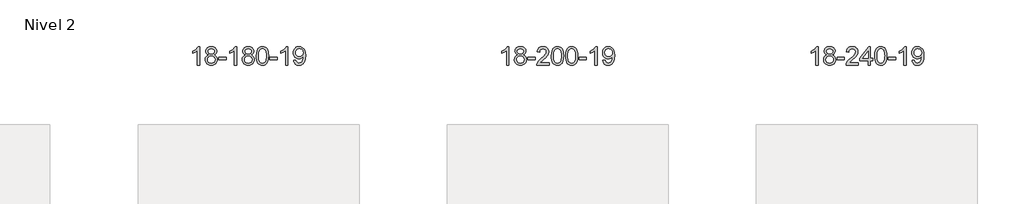
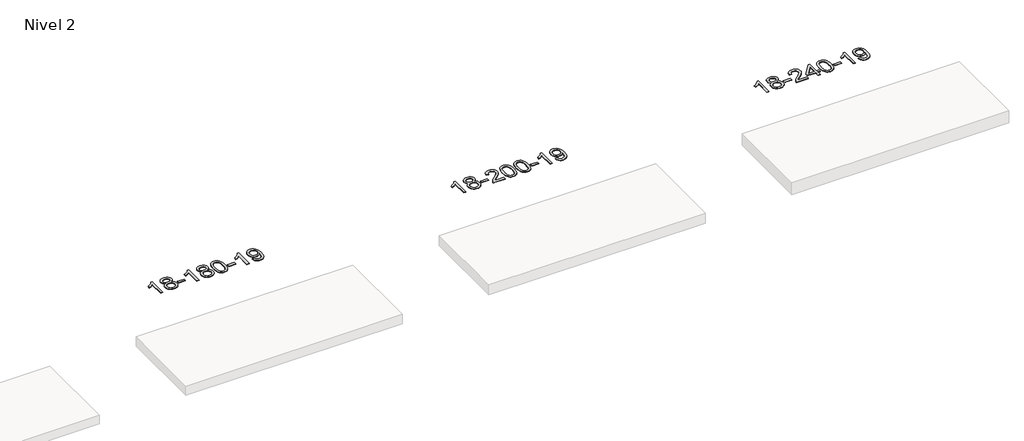
# One storey, part 47 of 51: 3 proxies.
"""IFC4 building model written with IfcOpenShell, lengths in millimetres."""

import ifcopenshell
import ifcopenshell.guid

model = None  # the IFC model being written
_history = None  # IfcOwnerHistory: only IFC2X3 demands one
_inside = {}  # id of a spatial element -> (the spatial element, [elements in it])
_under = {}  # id of a project, library or spatial element -> (it, [spatial elements below it])
_declared = {}  # id of a project -> (the project, [libraries it declares])
_typed = {}  # id of a type object -> (the type object, [elements of that type])
_made_of = {}  # id of a material, layer set ... -> (it, [elements and type objects made of it])


def new_model(schema):
    """Start an empty IFC model of exactly this schema.

    Asked for "IFC4X3", IfcOpenShell would pick the latest addendum, in which some entities
    have other attributes; the version numbers below select the first issue.
    IFC2X3 requires an IfcOwnerHistory on every rooted entity: one is made here for all.
    """
    global model, _history
    if schema == "IFC4X3":
        model = ifcopenshell.file(schema_version=(4, 3, 0, 0))
    else:
        model = ifcopenshell.file(schema=schema)
    _inside.clear()
    _under.clear()
    _declared.clear()
    _typed.clear()
    _made_of.clear()
    _history = None
    if model.schema == "IFC2X3":
        org = make("IfcOrganization", Name="unknown")
        user = make(
            "IfcPersonAndOrganization",
            ThePerson=make("IfcPerson", FamilyName="unknown"),
            TheOrganization=org,
        )
        app = make(
            "IfcApplication",
            ApplicationDeveloper=org,
            Version="unknown",
            ApplicationFullName="unknown",
            ApplicationIdentifier="unknown",
        )
        _history = make(
            "IfcOwnerHistory",
            OwningUser=user,
            OwningApplication=app,
            ChangeAction="ADDED",
            CreationDate=0,
        )
    return model


def make(cls, **values):
    """One entity of the class cls with the attributes given. An attribute that is None is left unset."""
    return model.create_entity(
        cls, **{name: value for name, value in values.items() if value is not None}
    )


def rooted(cls, **values):
    """An entity with a GlobalId (a new one), such as an element, a storey or a relation."""
    return make(cls, GlobalId=ifcopenshell.guid.new(), OwnerHistory=_history, **values)


def si_unit(unit_type, name, prefix=None):
    """IfcSIUnit, for example si_unit("LENGTHUNIT", "METRE", prefix="MILLI")."""
    return make("IfcSIUnit", UnitType=unit_type, Prefix=prefix, Name=name)


def assignment(units):
    """IfcUnitAssignment: the units of a project."""
    return None if units is None else make("IfcUnitAssignment", Units=units)


def point(xyz):
    """IfcCartesianPoint."""
    return None if xyz is None else make("IfcCartesianPoint", Coordinates=xyz)


def direction(xyz):
    """IfcDirection."""
    return None if xyz is None else make("IfcDirection", DirectionRatios=xyz)


def frame(location, z_axis=None, x_axis=None):
    """IfcAxis2Placement3D, a coordinate frame: its origin and axes. An axis left out is left unset."""
    return make(
        "IfcAxis2Placement3D",
        Location=point(location),
        Axis=direction(z_axis),
        RefDirection=direction(x_axis),
    )


def origin():
    """The frame at (0, 0, 0) with its axes left unset."""
    return frame((0.0, 0.0, 0.0))


def place(relative_to, where):
    """IfcLocalPlacement: puts the frame where relative to a parent placement (None: the world)."""
    return make(
        "IfcLocalPlacement", PlacementRelTo=relative_to, RelativePlacement=where
    )


def context(
    kind, dimensions, precision=None, world=None, true_north=None, identifier=None
):
    """IfcGeometricRepresentationContext, for example the 3D "Model" context."""
    return make(
        "IfcGeometricRepresentationContext",
        ContextIdentifier=identifier,
        ContextType=kind,
        CoordinateSpaceDimension=dimensions,
        Precision=precision,
        WorldCoordinateSystem=world,
        TrueNorth=true_north,
    )


def project(units=None, contexts=None):
    """IfcProject with its units and contexts."""
    return rooted(
        "IfcProject",
        Name="project",
        RepresentationContexts=contexts,
        UnitsInContext=assignment(units),
    )


def spatial(cls, under=None, at=None, **own):
    """A site, building, storey or space (cls), placed at a placement, below another one or the project."""
    s = rooted(cls, ObjectPlacement=at, **own)
    if under is not None:
        _under.setdefault(under.id(), (under, []))[1].append(s)
    return s


def polyline(points):
    """IfcPolyline through the points."""
    return make("IfcPolyline", Points=[point(p) for p in points])


def outline(outer, holes=None, kind="AREA"):
    """IfcArbitraryClosedProfileDef: a profile drawn as a closed curve; with holes, ...WithVoids."""
    if holes is None:
        return make("IfcArbitraryClosedProfileDef", ProfileType=kind, OuterCurve=outer)
    return make(
        "IfcArbitraryProfileDefWithVoids",
        ProfileType=kind,
        OuterCurve=outer,
        InnerCurves=holes,
    )


def extrude(swept, where, along, depth):
    """IfcExtrudedAreaSolid: the profile swept, set in the frame where, extruded along a direction by depth."""
    return make(
        "IfcExtrudedAreaSolid",
        SweptArea=swept,
        Position=where,
        ExtrudedDirection=direction(along),
        Depth=depth,
    )


def shape(context_of_items, identifier, shape_type, items):
    """IfcShapeRepresentation: the items that make up one representation, for example the "Body"."""
    return make(
        "IfcShapeRepresentation",
        ContextOfItems=context_of_items,
        RepresentationIdentifier=identifier,
        RepresentationType=shape_type,
        Items=items,
    )


def made_of(thing, what):
    """Note that an element or type object is made of a material, layer set ...; save() writes the relation."""
    if what is not None:
        _made_of.setdefault(what.id(), (what, []))[1].append(thing)
    return thing


def element(
    cls,
    number,
    at=None,
    inside=None,
    cuts=None,
    type_object=None,
    material=None,
    context=None,
    identifier="Body",
    shape_type=None,
    held_by="IfcProductDefinitionShape",
    body=None,
    shapes=None,
    **own,
):
    """One element of the class cls, such as IfcWall. Its Tag is "e" and its number.

    at: its placement. inside: the storey or other place that contains it. cuts: it is an
    opening in that element (IfcRelVoidsElement). A single representation is given by context,
    identifier, shape_type and body (its items); several are given by shapes. held_by: the class
    of the entity that holds the representations. save() writes the other relations.
    """
    e = rooted(cls, Tag="e%d" % number, ObjectPlacement=at, **own)
    if body is not None:
        shapes = [shape(context, identifier, shape_type, body)]
    if shapes is not None:
        e.Representation = make(held_by, Representations=shapes)
    if inside is not None:
        _inside.setdefault(inside.id(), (inside, []))[1].append(e)
    if cuts is not None:
        rooted(
            "IfcRelVoidsElement", RelatingBuildingElement=cuts, RelatedOpeningElement=e
        )
    if type_object is not None:
        _typed.setdefault(type_object.id(), (type_object, []))[1].append(e)
    return made_of(e, material)


def aggregate(whole, parts):
    """IfcRelAggregates: a whole, such as a stair, and the parts it consists of."""
    return rooted("IfcRelAggregates", RelatingObject=whole, RelatedObjects=parts)


def save(model, path):
    """Write the relations noted so far, then the file.

    IfcRelAggregates (storeys below a building ...), IfcRelContainedInSpatialStructure (elements
    in a storey), IfcRelDefinesByType, IfcRelAssociatesMaterial and IfcRelDeclares: one each for
    every whole, place, type object, material and project.
    """
    for whole, parts in _under.values():
        aggregate(whole, parts)
    for where, things in _inside.values():
        rooted(
            "IfcRelContainedInSpatialStructure",
            RelatedElements=things,
            RelatingStructure=where,
        )
    for kind, things in _typed.values():
        rooted("IfcRelDefinesByType", RelatedObjects=things, RelatingType=kind)
    for what, things in _made_of.values():
        rooted("IfcRelAssociatesMaterial", RelatedObjects=things, RelatingMaterial=what)
    for by, libraries in _declared.values():
        rooted("IfcRelDeclares", RelatingContext=by, RelatedDefinitions=libraries)
    model.write(path)


model = new_model("IFC4")

# Units and contexts
model_context = context("Model", 3, world=origin())
ifc_project = project(units=[si_unit("LENGTHUNIT", "METRE", prefix="MILLI")], contexts=[model_context])

# Site, building, storey
site = spatial("IfcSite", under=ifc_project)
building = spatial("IfcBuilding", under=site)
storey = spatial("IfcBuildingStorey", under=building, Name="Nivel 2", Elevation=3000.0)

# Proxies
placement = place(None, origin())
element("IfcBuildingElementProxy", 1, Name="Texto de modelo 1", ObjectType="Texto de modelo 1", at=placement, inside=storey, context=model_context, shape_type="SweptSolid", body=[
    extrude(outline(polyline([(44960.4349539, -16247.1632381), (44910.2067988, -16247.1632381), (44910.2067988, -15934.0220838), (44889.2375251, -15950.9814438), (44862.6273941, -15967.9162783), (44809.7504886, -15993.2756105), (44809.7504886, -15945.7943077), (44849.1997013, -15924.3345246), (44883.3759386, -15898.8035142), (44910.3171634, -15871.6538229), (44928.0613383, -15845.3379975), (44960.4349539, -15845.3379975), (44960.4349539, -16247.1632381)])), frame((0.0, 0.0, 3000.0), z_axis=(0.0, 0.0, 1.0), x_axis=(1.0, 0.0, 0.0)), (0.0, 0.0, 1.0), 10.0),
    extrude(outline(polyline([(45152.9108137, -16025.8454298), (45126.0186399, -16012.601678), (45107.1462935, -15994.6490366), (45095.9994691, -15972.3553877), (45092.2838609, -15946.0886133), (45094.3072119, -15925.6037175), (45100.3772648, -15906.8233417), (45110.4940197, -15889.7474857), (45124.6574765, -15874.3761497), (45142.1870536, -15861.6719581), (45162.4021692, -15852.5975356), (45185.3028234, -15847.152882), (45210.8890162, -15845.3379975), (45236.5978363, -15847.1958016), (45259.6701687, -15852.7692138), (45280.1060136, -15862.0582342), (45297.9053708, -15875.0628627), (45312.326345, -15890.7346357), (45322.6270408, -15908.0250895), (45328.8074584, -15926.9342241), (45330.8675975, -15947.4620394), (45327.2010403, -15972.8826853), (45316.2013687, -15994.7961894), (45297.7459552, -16012.6384662), (45271.7121727, -16025.8454298), (45302.626523, -16041.7747202), (45325.1286384, -16065.2333288), (45338.8506368, -16095.0930841), (45343.4246363, -16130.2258146), (45341.1560307, -16155.2785785), (45334.3502138, -16178.2466777), (45323.0071856, -16199.1301123), (45307.1269461, -16217.9288823), (45287.5433612, -16233.4657652), (45265.0902968, -16244.5635387), (45239.7677528, -16251.2222028), (45211.5757292, -16253.4417575), (45183.3837057, -16251.2130058), (45158.0611617, -16244.5267505), (45135.6080972, -16233.3829917), (45116.0245124, -16217.7817295), (45100.1442729, -16198.8511351), (45088.8012447, -16177.7193802), (45081.9954278, -16154.3864646), (45079.7268222, -16128.8523885), (45084.4847626, -16092.3584946), (45098.758584, -16062.3393238), (45121.8125224, -16039.8249457), (45152.9108137, -16025.8454298)]), holes=[polyline([(45142.512016, -15947.5601413), (45146.9633881, -15969.4859082), (45160.3175046, -15986.9970911), (45182.1819578, -15998.4750094), (45212.1643404, -16002.3009821), (45241.4477472, -15998.4995349), (45262.9811067, -15987.095193), (45276.2248585, -15970.1726212), (45280.6394425, -15949.8164842), (45276.0777057, -15928.6877949), (45262.3924955, -15911.2134001), (45240.5648305, -15899.4779645), (45211.5757292, -15895.5661526), (45182.402687, -15899.3921254), (45160.6118102, -15910.8700436), (45147.0369645, -15927.6945135), (45142.512016, -15947.5601413)]), polyline([(45129.9549772, -16127.0865549), (45132.0519046, -16146.3022578), (45138.3426867, -16164.904824), (45149.955495, -16181.12842), (45168.018501, -16193.2072122), (45189.6499623, -16200.7120049), (45211.9681367, -16203.2136024), (45246.1566368, -16197.9528899), (45260.0503135, -16191.3769993), (45271.8102746, -16182.1707523), (45287.8499296, -16158.2706854), (45293.1964812, -16128.6561848), (45287.6782513, -16098.5389121), (45271.1235615, -16074.1115476), (45259.0447693, -16064.6692431), (45244.8813125, -16057.9247398), (45210.300405, -16052.5291372), (45176.5901515, -16057.8511634), (45162.8528247, -16064.5036962), (45151.1940311, -16073.817242), (45135.2647407, -16097.7786226), (45129.9549772, -16127.0865549)])]), frame((0.0, 0.0, 3000.0), z_axis=(0.0, 0.0, 1.0), x_axis=(1.0, 0.0, 0.0)), (0.0, 0.0, 1.0), 10.0),
    extrude(outline(polyline([(45374.8172332, -16127.8713698), (45374.8172332, -16077.6432148), (45531.7802178, -16077.6432148), (45531.7802178, -16127.8713698), (45374.8172332, -16127.8713698)])), frame((0.0, 0.0, 3000.0), z_axis=(0.0, 0.0, 1.0), x_axis=(1.0, 0.0, 0.0)), (0.0, 0.0, 1.0), 10.0),
    extrude(outline(polyline([(45764.0854351, -16247.1632381), (45713.85728, -16247.1632381), (45713.85728, -15934.0220838), (45692.8880063, -15950.9814438), (45666.2778753, -15967.9162783), (45613.4009698, -15993.2756105), (45613.4009698, -15945.7943077), (45652.8501824, -15924.3345246), (45687.0264198, -15898.8035142), (45713.9676446, -15871.6538229), (45731.7118195, -15845.3379975), (45764.0854351, -15845.3379975), (45764.0854351, -16247.1632381)])), frame((0.0, 0.0, 3000.0), z_axis=(0.0, 0.0, 1.0), x_axis=(1.0, 0.0, 0.0)), (0.0, 0.0, 1.0), 10.0),
    extrude(outline(polyline([(45956.5612949, -16025.8454298), (45929.6691211, -16012.601678), (45910.7967747, -15994.6490366), (45899.6499503, -15972.3553877), (45895.9343421, -15946.0886133), (45897.9576931, -15925.6037175), (45904.027746, -15906.8233417), (45914.1445009, -15889.7474857), (45928.3079577, -15874.3761497), (45945.8375348, -15861.6719581), (45966.0526504, -15852.5975356), (45988.9533046, -15847.152882), (46014.5394974, -15845.3379975), (46040.2483175, -15847.1958016), (46063.3206499, -15852.7692138), (46083.7564948, -15862.0582342), (46101.555852, -15875.0628627), (46115.9768262, -15890.7346357), (46126.277522, -15908.0250895), (46132.4579396, -15926.9342241), (46134.5180787, -15947.4620394), (46130.8515215, -15972.8826853), (46119.8518499, -15994.7961894), (46101.3964364, -16012.6384662), (46075.3626539, -16025.8454298), (46106.2770042, -16041.7747202), (46128.7791196, -16065.2333288), (46142.501118, -16095.0930841), (46147.0751175, -16130.2258146), (46144.8065119, -16155.2785785), (46138.000695, -16178.2466777), (46126.6576668, -16199.1301123), (46110.7774273, -16217.9288823), (46091.1938424, -16233.4657652), (46068.740778, -16244.5635387), (46043.418234, -16251.2222028), (46015.2262104, -16253.4417575), (45987.0341869, -16251.2130058), (45961.7116429, -16244.5267505), (45939.2585784, -16233.3829917), (45919.6749936, -16217.7817295), (45903.7947541, -16198.8511351), (45892.4517259, -16177.7193802), (45885.645909, -16154.3864646), (45883.3773034, -16128.8523885), (45888.1352438, -16092.3584946), (45902.4090652, -16062.3393238), (45925.4630036, -16039.8249457), (45956.5612949, -16025.8454298)]), holes=[polyline([(45946.1624972, -15947.5601413), (45950.6138693, -15969.4859082), (45963.9679858, -15986.9970911), (45985.832439, -15998.4750094), (46015.8148216, -16002.3009821), (46045.0982284, -15998.4995349), (46066.6315879, -15987.095193), (46079.8753397, -15970.1726212), (46084.2899237, -15949.8164842), (46079.7281869, -15928.6877949), (46066.0429767, -15911.2134001), (46044.2153117, -15899.4779645), (46015.2262104, -15895.5661526), (45986.0531682, -15899.3921254), (45964.2622914, -15910.8700436), (45950.6874457, -15927.6945135), (45946.1624972, -15947.5601413)]), polyline([(45933.6054584, -16127.0865549), (45935.7023858, -16146.3022578), (45941.9931679, -16164.904824), (45953.6059762, -16181.12842), (45971.6689822, -16193.2072122), (45993.3004435, -16200.7120049), (46015.6186179, -16203.2136024), (46049.807118, -16197.9528899), (46063.7007947, -16191.3769993), (46075.4607558, -16182.1707523), (46091.5004108, -16158.2706854), (46096.8469624, -16128.6561848), (46091.3287325, -16098.5389121), (46074.7740427, -16074.1115476), (46062.6952505, -16064.6692431), (46048.5317937, -16057.9247398), (46013.9508862, -16052.5291372), (45980.2406327, -16057.8511634), (45966.5033059, -16064.5036962), (45954.8445123, -16073.817242), (45938.9152219, -16097.7786226), (45933.6054584, -16127.0865549)])]), frame((0.0, 0.0, 3000.0), z_axis=(0.0, 0.0, 1.0), x_axis=(1.0, 0.0, 0.0)), (0.0, 0.0, 1.0), 10.0),
    extrude(outline(polyline([(46191.0247532, -16049.4879794), (46194.7158359, -15985.1699439), (46205.7890839, -15933.874931), (46224.1341328, -15894.8181259), (46235.9921957, -15879.5847456), (46249.6406178, -15867.2147135), (46265.1253841, -15857.6436503), (46282.4924799, -15850.8071765), (46322.8736603, -15845.3379975), (46353.8247988, -15848.5753591), (46381.5385758, -15858.2874438), (46404.7151415, -15874.0941068), (46422.0546462, -15895.6152035), (46435.1512452, -15922.6667929), (46445.5990939, -15955.064934), (46452.441699, -15996.2064038), (46454.7225673, -16049.4879794), (46451.0682729, -16113.4381329), (46440.1053894, -16164.6105184), (46421.8707052, -16203.7041118), (46410.0402333, -16218.9834773), (46396.4010084, -16231.4178887), (46380.897848, -16241.0533313), (46363.4755698, -16247.9357903), (46322.8736603, -16253.4417575), (46295.2089342, -16251.0505246), (46270.6834679, -16243.8768256), (46249.2972612, -16231.9206608), (46231.0503143, -16215.18203), (46213.5391313, -16184.9237359), (46201.0311435, -16147.2219628), (46193.5263508, -16102.0767106), (46191.0247532, -16049.4879794)]), holes=[polyline([(46241.2529083, -16049.3898775), (46242.7244362, -16093.0544047), (46247.1390202, -16128.3986674), (46254.4966601, -16155.4226656), (46264.797356, -16174.1263994), (46277.2562929, -16186.8520507), (46291.0886559, -16195.9418017), (46306.294445, -16201.3956523), (46322.8736603, -16203.2136024), (46339.4528755, -16201.3895209), (46354.6586646, -16195.9172762), (46368.4910277, -16186.7968684), (46380.9499646, -16174.0282975), (46391.2506604, -16155.2939069), (46398.6083003, -16128.27604), (46403.0228843, -16092.9746969), (46404.4944123, -16049.3898775), (46403.0719352, -16006.881113), (46398.8045041, -15972.159184), (46391.6921188, -15945.2240906), (46381.7347795, -15926.0758327), (46369.4843091, -15912.7278477), (46355.4925305, -15903.1935726), (46339.7594438, -15897.4730076), (46322.2850491, -15895.5661526), (46305.791673, -15897.2461471), (46290.8434012, -15902.2861304), (46277.4402339, -15910.6861026), (46265.5821709, -15922.4460637), (46254.9381185, -15943.2927101), (46247.3352239, -15971.3988946), (46242.7734872, -16006.764617), (46241.2529083, -16049.3898775)])]), frame((0.0, 0.0, 3000.0), z_axis=(0.0, 0.0, 1.0), x_axis=(1.0, 0.0, 0.0)), (0.0, 0.0, 1.0), 10.0),
    extrude(outline(polyline([(46486.1151643, -16127.8713698), (46486.1151643, -16077.6432148), (46643.0781489, -16077.6432148), (46643.0781489, -16127.8713698), (46486.1151643, -16127.8713698)])), frame((0.0, 0.0, 3000.0), z_axis=(0.0, 0.0, 1.0), x_axis=(1.0, 0.0, 0.0)), (0.0, 0.0, 1.0), 10.0),
    extrude(outline(polyline([(46875.3833661, -16247.1632381), (46825.155211, -16247.1632381), (46825.155211, -15934.0220838), (46804.1859373, -15950.9814438), (46777.5758063, -15967.9162783), (46724.6989009, -15993.2756105), (46724.6989009, -15945.7943077), (46764.1481135, -15924.3345246), (46798.3243508, -15898.8035142), (46825.2655756, -15871.6538229), (46843.0097505, -15845.3379975), (46875.3833661, -15845.3379975), (46875.3833661, -16247.1632381)])), frame((0.0, 0.0, 3000.0), z_axis=(0.0, 0.0, 1.0), x_axis=(1.0, 0.0, 0.0)), (0.0, 0.0, 1.0), 10.0),
    extrude(outline(polyline([(47000.9537538, -16146.706928), (47051.1819088, -16140.4284086), (47059.7658221, -16168.9392632), (47073.7453379, -16188.3511698), (47092.7770998, -16199.4979943), (47116.5177512, -16203.2136024), (47137.8181187, -16200.8223695), (47157.1809744, -16193.6486706), (47173.2696803, -16182.4773207), (47184.7475986, -16168.0931346), (47201.179661, -16124.4378045), (47206.6243145, -16096.0373145), (47208.4391991, -16066.1652965), (47208.1448935, -16056.35511), (47190.7440751, -16077.5941638), (47167.9721796, -16094.4186337), (47141.4724132, -16105.3815172), (47112.8879822, -16109.0358117), (47089.0277691, -16106.8039942), (47067.0866738, -16100.1085419), (47047.0646962, -16088.9494547), (47028.9618363, -16073.3267327), (47013.961448, -16054.0558475), (47003.2468849, -16031.952271), (46996.818147, -16007.0160031), (46994.6752344, -15979.2470438), (46996.9223802, -15950.5522482), (47003.6638178, -15924.8005085), (47014.8995471, -15901.9918248), (47030.6295681, -15882.1261971), (47049.7441034, -15866.0313598), (47071.1333757, -15854.5350474), (47094.7973851, -15847.63726), (47120.7361314, -15845.3379975), (47158.1987812, -15850.5864473), (47192.3014422, -15866.3317967), (47220.8245596, -15891.7892308), (47241.5485786, -15926.1739346), (47254.1669311, -15973.7042884), (47258.3730485, -16038.5986723), (47254.1791938, -16107.4048682), (47241.5976296, -16160.5883419), (47220.7387204, -16200.5525893), (47207.2466483, -16216.4788141), (47191.712831, -16229.7011061), (47174.4499684, -16240.0876411), (47155.7707601, -16247.5065947), (47114.1633064, -16253.4417575), (47091.6060088, -16251.6912524), (47071.2192149, -16246.4397369), (47053.0029247, -16237.6872111), (47036.9571384, -16225.433675), (47023.486526, -16210.0102223), (47012.9957577, -16191.7479469), (47005.4848337, -16170.6468488), (47000.9537538, -16146.706928)]), holes=[polyline([(47208.1448935, -15978.0698214), (47202.7247654, -15944.0284741), (47195.9496053, -15929.9508564), (47186.4643812, -15917.8352761), (47174.7350769, -15908.0925345), (47161.2276763, -15901.1334335), (47128.8785862, -15895.5661526), (47111.2693014, -15897.0652717), (47095.3277483, -15901.5626291), (47081.0539269, -15909.0582248), (47068.4478372, -15919.5520587), (47058.1471413, -15932.4309942), (47050.7895014, -15947.0818947), (47046.3749174, -15963.5047601), (47044.9033895, -15981.6995904), (47050.4706703, -16012.7365681), (47057.4297714, -16025.8546269), (47067.1725129, -16037.372399), (47079.2942246, -16046.7503242), (47093.3902364, -16053.4488422), (47127.5051601, -16058.8076566), (47159.5967328, -16053.4488422), (47185.4343116, -16037.372399), (47195.3701912, -16025.6277663), (47202.467248, -16011.8291258), (47208.1448935, -15978.0698214)])]), frame((0.0, 0.0, 3000.0), z_axis=(0.0, 0.0, 1.0), x_axis=(1.0, 0.0, 0.0)), (0.0, 0.0, 1.0), 10.0),
])
element("IfcBuildingElementProxy", 2, Name="Texto de modelo 1", ObjectType="Texto de modelo 1", at=placement, inside=storey, context=model_context, shape_type="SweptSolid", body=[
    extrude(outline(polyline([(51675.3754887, -16247.1632381), (51625.1473336, -16247.1632381), (51625.1473336, -15934.0220838), (51604.1780599, -15950.9814438), (51577.5679289, -15967.9162783), (51524.6910235, -15993.2756105), (51524.6910235, -15945.7943077), (51564.1402361, -15924.3345246), (51598.3164734, -15898.8035142), (51625.2576982, -15871.6538229), (51643.0018731, -15845.3379975), (51675.3754887, -15845.3379975), (51675.3754887, -16247.1632381)])), frame((0.0, 0.0, 3000.0), z_axis=(0.0, 0.0, 1.0), x_axis=(1.0, 0.0, 0.0)), (0.0, 0.0, 1.0), 10.0),
    extrude(outline(polyline([(51867.8513486, -16025.8454298), (51840.9591747, -16012.601678), (51822.0868284, -15994.6490366), (51810.9400039, -15972.3553877), (51807.2243958, -15946.0886133), (51809.2477467, -15925.6037175), (51815.3177996, -15906.8233417), (51825.4345545, -15889.7474857), (51839.5980113, -15874.3761497), (51857.1275884, -15861.6719581), (51877.342704, -15852.5975356), (51900.2433582, -15847.152882), (51925.829551, -15845.3379975), (51951.5383711, -15847.1958016), (51974.6107036, -15852.7692138), (51995.0465484, -15862.0582342), (52012.8459056, -15875.0628627), (52027.2668798, -15890.7346357), (52037.5675757, -15908.0250895), (52043.7479932, -15926.9342241), (52045.8081324, -15947.4620394), (52042.1415751, -15972.8826853), (52031.1419035, -15994.7961894), (52012.6864901, -16012.6384662), (51986.6527075, -16025.8454298), (52017.5670579, -16041.7747202), (52040.0691732, -16065.2333288), (52053.7911717, -16095.0930841), (52058.3651711, -16130.2258146), (52056.0965655, -16155.2785785), (52049.2907486, -16178.2466777), (52037.9477204, -16199.1301123), (52022.0674809, -16217.9288823), (52002.4838961, -16233.4657652), (51980.0308316, -16244.5635387), (51954.7082876, -16251.2222028), (51926.5162641, -16253.4417575), (51898.3242405, -16251.2130058), (51873.0016965, -16244.5267505), (51850.5486321, -16233.3829917), (51830.9650472, -16217.7817295), (51815.0848077, -16198.8511351), (51803.7417795, -16177.7193802), (51796.9359626, -16154.3864646), (51794.667357, -16128.8523885), (51799.4252975, -16092.3584946), (51813.6991189, -16062.3393238), (51836.7530572, -16039.8249457), (51867.8513486, -16025.8454298)]), holes=[polyline([(51857.4525508, -15947.5601413), (51861.903923, -15969.4859082), (51875.2580394, -15986.9970911), (51897.1224926, -15998.4750094), (51927.1048753, -16002.3009821), (51956.3882821, -15998.4995349), (51977.9216415, -15987.095193), (51991.1653933, -15970.1726212), (51995.5799773, -15949.8164842), (51991.0182405, -15928.6877949), (51977.3330303, -15911.2134001), (51955.5053653, -15899.4779645), (51926.5162641, -15895.5661526), (51897.3432218, -15899.3921254), (51875.552345, -15910.8700436), (51861.9774994, -15927.6945135), (51857.4525508, -15947.5601413)]), polyline([(51844.8955121, -16127.0865549), (51846.9924394, -16146.3022578), (51853.2832216, -16164.904824), (51864.8960299, -16181.12842), (51882.9590358, -16193.2072122), (51904.5904971, -16200.7120049), (51926.9086715, -16203.2136024), (51961.0971716, -16197.9528899), (51974.9908483, -16191.3769993), (51986.7508094, -16182.1707523), (52002.7904644, -16158.2706854), (52008.1370161, -16128.6561848), (52002.6187861, -16098.5389121), (51986.0640963, -16074.1115476), (51973.9853042, -16064.6692431), (51959.8218474, -16057.9247398), (51925.2409398, -16052.5291372), (51891.5306863, -16057.8511634), (51877.7933595, -16064.5036962), (51866.1345659, -16073.817242), (51850.2052755, -16097.7786226), (51844.8955121, -16127.0865549)])]), frame((0.0, 0.0, 3000.0), z_axis=(0.0, 0.0, 1.0), x_axis=(1.0, 0.0, 0.0)), (0.0, 0.0, 1.0), 10.0),
    extrude(outline(polyline([(52089.7577681, -16127.8713698), (52089.7577681, -16077.6432148), (52246.7207527, -16077.6432148), (52246.7207527, -16127.8713698), (52089.7577681, -16127.8713698)])), frame((0.0, 0.0, 3000.0), z_axis=(0.0, 0.0, 1.0), x_axis=(1.0, 0.0, 0.0)), (0.0, 0.0, 1.0), 10.0),
    extrude(outline(polyline([(52548.0896831, -16196.9350831), (52548.0896831, -16247.1632381), (52284.391869, -16247.1632381), (52285.495515, -16229.4803769), (52289.7874716, -16212.5332797), (52302.1728321, -16185.4694275), (52320.2971517, -16159.2149158), (52346.5148752, -16131.7341308), (52383.1804474, -16100.9914587), (52437.381728, -16052.8479683), (52469.9024964, -16017.3105676), (52486.1628806, -15988.4686191), (52491.5830087, -15960.4114856), (52486.4694489, -15935.2606199), (52471.1287697, -15914.3526598), (52447.5475338, -15900.2627794), (52417.712304, -15895.5661526), (52386.3810208, -15900.1524148), (52362.0394954, -15913.9112014), (52346.3309342, -15935.763392), (52340.8985434, -15964.6298658), (52290.6703884, -15958.3513465), (52294.9899361, -15932.4217972), (52302.8472824, -15909.7663976), (52314.2424272, -15890.3851478), (52329.1753705, -15874.2780478), (52347.3027558, -15861.6167758), (52368.2812266, -15852.5730101), (52392.1107828, -15847.1467507), (52418.7914245, -15845.3379975), (52445.7111895, -15847.3490858), (52469.6695045, -15853.3823505), (52490.6663693, -15863.4377917), (52508.7017842, -15877.5154094), (52523.1871377, -15894.5728712), (52533.5338188, -15913.5678449), (52539.7418275, -15934.5003304), (52541.8111637, -15957.3703278), (52539.5793463, -15981.3930221), (52532.883894, -16004.9987834), (52521.0013055, -16029.009215), (52503.2080797, -16054.2459199), (52474.8443779, -16084.3754553), (52431.2503614, -16123.0643784), (52373.4683627, -16171.3795471), (52350.8068318, -16196.9350831), (52548.0896831, -16196.9350831)])), frame((0.0, 0.0, 3000.0), z_axis=(0.0, 0.0, 1.0), x_axis=(1.0, 0.0, 0.0)), (0.0, 0.0, 1.0), 10.0),
    extrude(outline(polyline([(52598.3178382, -16049.4879794), (52602.0089209, -15985.1699439), (52613.0821689, -15933.874931), (52631.4272177, -15894.8181259), (52643.2852807, -15879.5847456), (52656.9337027, -15867.2147135), (52672.4184691, -15857.6436503), (52689.7855649, -15850.8071765), (52730.1667453, -15845.3379975), (52761.1178838, -15848.5753591), (52788.8316608, -15858.2874438), (52812.0082264, -15874.0941068), (52829.3477312, -15895.6152035), (52842.4443302, -15922.6667929), (52852.8921788, -15955.064934), (52859.734784, -15996.2064038), (52862.0156523, -16049.4879794), (52858.3613578, -16113.4381329), (52847.3984744, -16164.6105184), (52829.1637902, -16203.7041118), (52817.3333183, -16218.9834773), (52803.6940934, -16231.4178887), (52788.1909329, -16241.0533313), (52770.7686548, -16247.9357903), (52730.1667453, -16253.4417575), (52702.5020192, -16251.0505246), (52677.9765529, -16243.8768256), (52656.5903462, -16231.9206608), (52638.3433993, -16215.18203), (52620.8322163, -16184.9237359), (52608.3242285, -16147.2219628), (52600.8194358, -16102.0767106), (52598.3178382, -16049.4879794)]), holes=[polyline([(52648.5459933, -16049.3898775), (52650.0175212, -16093.0544047), (52654.4321052, -16128.3986674), (52661.7897451, -16155.4226656), (52672.090441, -16174.1263994), (52684.5493779, -16186.8520507), (52698.3817409, -16195.9418017), (52713.58753, -16201.3956523), (52730.1667453, -16203.2136024), (52746.7459605, -16201.3895209), (52761.9517496, -16195.9172762), (52775.7841127, -16186.7968684), (52788.2430496, -16174.0282975), (52798.5437454, -16155.2939069), (52805.9013853, -16128.27604), (52810.3159693, -16092.9746969), (52811.7874973, -16049.3898775), (52810.3650202, -16006.881113), (52806.0975891, -15972.159184), (52798.9852038, -15945.2240906), (52789.0278645, -15926.0758327), (52776.777394, -15912.7278477), (52762.7856155, -15903.1935726), (52747.0525288, -15897.4730076), (52729.5781341, -15895.5661526), (52713.0847579, -15897.2461471), (52698.1364862, -15902.2861304), (52684.7333189, -15910.6861026), (52672.8752559, -15922.4460637), (52662.2312035, -15943.2927101), (52654.6283089, -15971.3988946), (52650.0665722, -16006.764617), (52648.5459933, -16049.3898775)])]), frame((0.0, 0.0, 3000.0), z_axis=(0.0, 0.0, 1.0), x_axis=(1.0, 0.0, 0.0)), (0.0, 0.0, 1.0), 10.0),
    extrude(outline(polyline([(52905.965288, -16049.4879794), (52909.6563707, -15985.1699439), (52920.7296188, -15933.874931), (52939.0746676, -15894.8181259), (52950.9327306, -15879.5847456), (52964.5811526, -15867.2147135), (52980.0659189, -15857.6436503), (52997.4330148, -15850.8071765), (53037.8141951, -15845.3379975), (53068.7653336, -15848.5753591), (53096.4791106, -15858.2874438), (53119.6556763, -15874.0941068), (53136.995181, -15895.6152035), (53150.09178, -15922.6667929), (53160.5396287, -15955.064934), (53167.3822338, -15996.2064038), (53169.6631022, -16049.4879794), (53166.0088077, -16113.4381329), (53155.0459242, -16164.6105184), (53136.81124, -16203.7041118), (53124.9807682, -16218.9834773), (53111.3415432, -16231.4178887), (53095.8383828, -16241.0533313), (53078.4161046, -16247.9357903), (53037.8141951, -16253.4417575), (53010.1494691, -16251.0505246), (52985.6240027, -16243.8768256), (52964.2377961, -16231.9206608), (52945.9908491, -16215.18203), (52928.4796661, -16184.9237359), (52915.9716783, -16147.2219628), (52908.4668856, -16102.0767106), (52905.965288, -16049.4879794)]), holes=[polyline([(52956.1934431, -16049.3898775), (52957.6649711, -16093.0544047), (52962.079555, -16128.3986674), (52969.4371949, -16155.4226656), (52979.7378908, -16174.1263994), (52992.1968277, -16186.8520507), (53006.0291907, -16195.9418017), (53021.2349798, -16201.3956523), (53037.8141951, -16203.2136024), (53054.3934103, -16201.3895209), (53069.5991995, -16195.9172762), (53083.4315625, -16186.7968684), (53095.8904994, -16174.0282975), (53106.1911953, -16155.2939069), (53113.5488352, -16128.27604), (53117.9634191, -16092.9746969), (53119.4349471, -16049.3898775), (53118.01247, -16006.881113), (53113.7450389, -15972.159184), (53106.6326537, -15945.2240906), (53096.6753143, -15926.0758327), (53084.4248439, -15912.7278477), (53070.4330653, -15903.1935726), (53054.6999787, -15897.4730076), (53037.2255839, -15895.5661526), (53020.7322078, -15897.2461471), (53005.783936, -15902.2861304), (52992.3807687, -15910.6861026), (52980.5227057, -15922.4460637), (52969.8786533, -15943.2927101), (52962.2757587, -15971.3988946), (52957.714022, -16006.764617), (52956.1934431, -16049.3898775)])]), frame((0.0, 0.0, 3000.0), z_axis=(0.0, 0.0, 1.0), x_axis=(1.0, 0.0, 0.0)), (0.0, 0.0, 1.0), 10.0),
    extrude(outline(polyline([(53201.0556991, -16127.8713698), (53201.0556991, -16077.6432148), (53358.0186837, -16077.6432148), (53358.0186837, -16127.8713698), (53201.0556991, -16127.8713698)])), frame((0.0, 0.0, 3000.0), z_axis=(0.0, 0.0, 1.0), x_axis=(1.0, 0.0, 0.0)), (0.0, 0.0, 1.0), 10.0),
    extrude(outline(polyline([(53590.3239009, -16247.1632381), (53540.0957458, -16247.1632381), (53540.0957458, -15934.0220838), (53519.1264721, -15950.9814438), (53492.5163411, -15967.9162783), (53439.6394357, -15993.2756105), (53439.6394357, -15945.7943077), (53479.0886483, -15924.3345246), (53513.2648857, -15898.8035142), (53540.2061104, -15871.6538229), (53557.9502853, -15845.3379975), (53590.3239009, -15845.3379975), (53590.3239009, -16247.1632381)])), frame((0.0, 0.0, 3000.0), z_axis=(0.0, 0.0, 1.0), x_axis=(1.0, 0.0, 0.0)), (0.0, 0.0, 1.0), 10.0),
    extrude(outline(polyline([(53715.8942886, -16146.706928), (53766.1224437, -16140.4284086), (53774.7063569, -16168.9392632), (53788.6858727, -16188.3511698), (53807.7176346, -16199.4979943), (53831.458286, -16203.2136024), (53852.7586535, -16200.8223695), (53872.1215092, -16193.6486706), (53888.2102151, -16182.4773207), (53899.6881334, -16168.0931346), (53916.1201958, -16124.4378045), (53921.5648494, -16096.0373145), (53923.3797339, -16066.1652965), (53923.0854283, -16056.35511), (53905.6846099, -16077.5941638), (53882.9127144, -16094.4186337), (53856.412948, -16105.3815172), (53827.828517, -16109.0358117), (53803.9683039, -16106.8039942), (53782.0272086, -16100.1085419), (53762.005231, -16088.9494547), (53743.9023712, -16073.3267327), (53728.9019828, -16054.0558475), (53718.1874197, -16031.952271), (53711.7586818, -16007.0160031), (53709.6157692, -15979.2470438), (53711.8629151, -15950.5522482), (53718.6043526, -15924.8005085), (53729.8400819, -15901.9918248), (53745.5701029, -15882.1261971), (53764.6846382, -15866.0313598), (53786.0739105, -15854.5350474), (53809.7379199, -15847.63726), (53835.6766662, -15845.3379975), (53873.1393161, -15850.5864473), (53907.241977, -15866.3317967), (53935.7650944, -15891.7892308), (53956.4891134, -15926.1739346), (53969.1074659, -15973.7042884), (53973.3135834, -16038.5986723), (53969.1197286, -16107.4048682), (53956.5381644, -16160.5883419), (53935.6792553, -16200.5525893), (53922.1871831, -16216.4788141), (53906.6533658, -16229.7011061), (53889.3905032, -16240.0876411), (53870.7112949, -16247.5065947), (53829.1038412, -16253.4417575), (53806.5465436, -16251.6912524), (53786.1597497, -16246.4397369), (53767.9434595, -16237.6872111), (53751.8976732, -16225.433675), (53738.4270608, -16210.0102223), (53727.9362926, -16191.7479469), (53720.4253685, -16170.6468488), (53715.8942886, -16146.706928)]), holes=[polyline([(53923.0854283, -15978.0698214), (53917.6653002, -15944.0284741), (53910.8901401, -15929.9508564), (53901.404916, -15917.8352761), (53889.6756118, -15908.0925345), (53876.1682112, -15901.1334335), (53843.8191211, -15895.5661526), (53826.2098362, -15897.0652717), (53810.2682831, -15901.5626291), (53795.9944617, -15909.0582248), (53783.388372, -15919.5520587), (53773.0876761, -15932.4309942), (53765.7300362, -15947.0818947), (53761.3154523, -15963.5047601), (53759.8439243, -15981.6995904), (53765.4112051, -16012.7365681), (53772.3703062, -16025.8546269), (53782.1130477, -16037.372399), (53794.2347595, -16046.7503242), (53808.3307713, -16053.4488422), (53842.4456949, -16058.8076566), (53874.5372677, -16053.4488422), (53900.3748464, -16037.372399), (53910.310726, -16025.6277663), (53917.4077828, -16011.8291258), (53923.0854283, -15978.0698214)])]), frame((0.0, 0.0, 3000.0), z_axis=(0.0, 0.0, 1.0), x_axis=(1.0, 0.0, 0.0)), (0.0, 0.0, 1.0), 10.0),
])
element("IfcBuildingElementProxy", 3, Name="Texto de modelo 1", ObjectType="Texto de modelo 1", at=placement, inside=storey, context=model_context, shape_type="SweptSolid", body=[
    extrude(outline(polyline([(58390.3160235, -16247.1632381), (58340.0878684, -16247.1632381), (58340.0878684, -15934.0220838), (58319.1185947, -15950.9814438), (58292.5084637, -15967.9162783), (58239.6315583, -15993.2756105), (58239.6315583, -15945.7943077), (58279.0807709, -15924.3345246), (58313.2570083, -15898.8035142), (58340.198233, -15871.6538229), (58357.9424079, -15845.3379975), (58390.3160235, -15845.3379975), (58390.3160235, -16247.1632381)])), frame((0.0, 0.0, 3000.0), z_axis=(0.0, 0.0, 1.0), x_axis=(1.0, 0.0, 0.0)), (0.0, 0.0, 1.0), 10.0),
    extrude(outline(polyline([(58582.7918834, -16025.8454298), (58555.8997095, -16012.601678), (58537.0273632, -15994.6490366), (58525.8805387, -15972.3553877), (58522.1649306, -15946.0886133), (58524.1882816, -15925.6037175), (58530.2583345, -15906.8233417), (58540.3750893, -15889.7474857), (58554.5385462, -15874.3761497), (58572.0681232, -15861.6719581), (58592.2832389, -15852.5975356), (58615.1838931, -15847.152882), (58640.7700858, -15845.3379975), (58666.4789059, -15847.1958016), (58689.5512384, -15852.7692138), (58709.9870832, -15862.0582342), (58727.7864404, -15875.0628627), (58742.2074146, -15890.7346357), (58752.5081105, -15908.0250895), (58758.688528, -15926.9342241), (58760.7486672, -15947.4620394), (58757.08211, -15972.8826853), (58746.0824383, -15994.7961894), (58727.6270249, -16012.6384662), (58701.5932424, -16025.8454298), (58732.5075927, -16041.7747202), (58755.0097081, -16065.2333288), (58768.7317065, -16095.0930841), (58773.305706, -16130.2258146), (58771.0371003, -16155.2785785), (58764.2312834, -16178.2466777), (58752.8882552, -16199.1301123), (58737.0080158, -16217.9288823), (58717.4244309, -16233.4657652), (58694.9713664, -16244.5635387), (58669.6488224, -16251.2222028), (58641.4567989, -16253.4417575), (58613.2647753, -16251.2130058), (58587.9422313, -16244.5267505), (58565.4891669, -16233.3829917), (58545.905582, -16217.7817295), (58530.0253425, -16198.8511351), (58518.6823144, -16177.7193802), (58511.8764974, -16154.3864646), (58509.6078918, -16128.8523885), (58514.3658323, -16092.3584946), (58528.6396537, -16062.3393238), (58551.6935921, -16039.8249457), (58582.7918834, -16025.8454298)]), holes=[polyline([(58572.3930857, -15947.5601413), (58576.8444578, -15969.4859082), (58590.1985742, -15986.9970911), (58612.0630275, -15998.4750094), (58642.0454101, -16002.3009821), (58671.3288169, -15998.4995349), (58692.8621763, -15987.095193), (58706.1059282, -15970.1726212), (58710.5205121, -15949.8164842), (58705.9587754, -15928.6877949), (58692.2735652, -15911.2134001), (58670.4459001, -15899.4779645), (58641.4567989, -15895.5661526), (58612.2837567, -15899.3921254), (58590.4928798, -15910.8700436), (58576.9180342, -15927.6945135), (58572.3930857, -15947.5601413)]), polyline([(58559.8360469, -16127.0865549), (58561.9329743, -16146.3022578), (58568.2237564, -16164.904824), (58579.8365647, -16181.12842), (58597.8995707, -16193.2072122), (58619.531032, -16200.7120049), (58641.8492063, -16203.2136024), (58676.0377064, -16197.9528899), (58689.9313831, -16191.3769993), (58701.6913442, -16182.1707523), (58717.7309992, -16158.2706854), (58723.0775509, -16128.6561848), (58717.559321, -16098.5389121), (58701.0046312, -16074.1115476), (58688.925839, -16064.6692431), (58674.7623822, -16057.9247398), (58640.1814746, -16052.5291372), (58606.4712211, -16057.8511634), (58592.7338943, -16064.5036962), (58581.0751007, -16073.817242), (58565.1458104, -16097.7786226), (58559.8360469, -16127.0865549)])]), frame((0.0, 0.0, 3000.0), z_axis=(0.0, 0.0, 1.0), x_axis=(1.0, 0.0, 0.0)), (0.0, 0.0, 1.0), 10.0),
    extrude(outline(polyline([(58804.6983029, -16127.8713698), (58804.6983029, -16077.6432148), (58961.6612875, -16077.6432148), (58961.6612875, -16127.8713698), (58804.6983029, -16127.8713698)])), frame((0.0, 0.0, 3000.0), z_axis=(0.0, 0.0, 1.0), x_axis=(1.0, 0.0, 0.0)), (0.0, 0.0, 1.0), 10.0),
    extrude(outline(polyline([(59263.0302179, -16196.9350831), (59263.0302179, -16247.1632381), (58999.3324038, -16247.1632381), (59000.4360498, -16229.4803769), (59004.7280064, -16212.5332797), (59017.1133669, -16185.4694275), (59035.2376865, -16159.2149158), (59061.45541, -16131.7341308), (59098.1209822, -16100.9914587), (59152.3222629, -16052.8479683), (59184.8430312, -16017.3105676), (59201.1034154, -15988.4686191), (59206.5235435, -15960.4114856), (59201.4099837, -15935.2606199), (59186.0693045, -15914.3526598), (59162.4880687, -15900.2627794), (59132.6528388, -15895.5661526), (59101.3215556, -15900.1524148), (59076.9800302, -15913.9112014), (59061.271469, -15935.763392), (59055.8390783, -15964.6298658), (59005.6109232, -15958.3513465), (59009.9304709, -15932.4217972), (59017.7878172, -15909.7663976), (59029.182962, -15890.3851478), (59044.1159053, -15874.2780478), (59062.2432906, -15861.6167758), (59083.2217614, -15852.5730101), (59107.0513177, -15847.1467507), (59133.7319594, -15845.3379975), (59160.6517244, -15847.3490858), (59184.6100393, -15853.3823505), (59205.6069042, -15863.4377917), (59223.642319, -15877.5154094), (59238.1276725, -15894.5728712), (59248.4743537, -15913.5678449), (59254.6823623, -15934.5003304), (59256.7516985, -15957.3703278), (59254.5198811, -15981.3930221), (59247.8244288, -16004.9987834), (59235.9418404, -16029.009215), (59218.1486145, -16054.2459199), (59189.7849127, -16084.3754553), (59146.1908963, -16123.0643784), (59088.4088976, -16171.3795471), (59065.7473667, -16196.9350831), (59263.0302179, -16196.9350831)])), frame((0.0, 0.0, 3000.0), z_axis=(0.0, 0.0, 1.0), x_axis=(1.0, 0.0, 0.0)), (0.0, 0.0, 1.0), 10.0),
    extrude(outline(polyline([(59476.499877, -16247.1632381), (59476.499877, -16152.9854474), (59294.4228149, -16152.9854474), (59294.4228149, -16102.7572923), (59489.0569158, -15851.6165169), (59526.7280321, -15851.6165169), (59526.7280321, -16102.7572923), (59576.9561872, -16102.7572923), (59576.9561872, -16152.9854474), (59526.7280321, -16152.9854474), (59526.7280321, -16247.1632381), (59476.499877, -16247.1632381)]), holes=[polyline([(59476.499877, -16102.7572923), (59476.499877, -15947.5601413), (59356.22699, -16102.7572923), (59476.499877, -16102.7572923)])]), frame((0.0, 0.0, 3000.0), z_axis=(0.0, 0.0, 1.0), x_axis=(1.0, 0.0, 0.0)), (0.0, 0.0, 1.0), 10.0),
    extrude(outline(polyline([(59620.9058228, -16049.4879794), (59624.5969055, -15985.1699439), (59635.6701536, -15933.874931), (59654.0152024, -15894.8181259), (59665.8732654, -15879.5847456), (59679.5216874, -15867.2147135), (59695.0064537, -15857.6436503), (59712.3735496, -15850.8071765), (59752.7547299, -15845.3379975), (59783.7058684, -15848.5753591), (59811.4196454, -15858.2874438), (59834.5962111, -15874.0941068), (59851.9357158, -15895.6152035), (59865.0323148, -15922.6667929), (59875.4801635, -15955.064934), (59882.3227686, -15996.2064038), (59884.603637, -16049.4879794), (59880.9493425, -16113.4381329), (59869.986459, -16164.6105184), (59851.7517748, -16203.7041118), (59839.921303, -16218.9834773), (59826.282078, -16231.4178887), (59810.7789176, -16241.0533313), (59793.3566394, -16247.9357903), (59752.7547299, -16253.4417575), (59725.0900039, -16251.0505246), (59700.5645375, -16243.8768256), (59679.1783309, -16231.9206608), (59660.9313839, -16215.18203), (59643.4202009, -16184.9237359), (59630.9122131, -16147.2219628), (59623.4074204, -16102.0767106), (59620.9058228, -16049.4879794)]), holes=[polyline([(59671.1339779, -16049.3898775), (59672.6055059, -16093.0544047), (59677.0200898, -16128.3986674), (59684.3777297, -16155.4226656), (59694.6784256, -16174.1263994), (59707.1373625, -16186.8520507), (59720.9697255, -16195.9418017), (59736.1755147, -16201.3956523), (59752.7547299, -16203.2136024), (59769.3339452, -16201.3895209), (59784.5397343, -16195.9172762), (59798.3720973, -16186.7968684), (59810.8310342, -16174.0282975), (59821.1317301, -16155.2939069), (59828.48937, -16128.27604), (59832.9039539, -16092.9746969), (59834.3754819, -16049.3898775), (59832.9530049, -16006.881113), (59828.6855737, -15972.159184), (59821.5731885, -15945.2240906), (59811.6158491, -15926.0758327), (59799.3653787, -15912.7278477), (59785.3736002, -15903.1935726), (59769.6405135, -15897.4730076), (59752.1661187, -15895.5661526), (59735.6727426, -15897.2461471), (59720.7244709, -15902.2861304), (59707.3213035, -15910.6861026), (59695.4632405, -15922.4460637), (59684.8191881, -15943.2927101), (59677.2162936, -15971.3988946), (59672.6545568, -16006.764617), (59671.1339779, -16049.3898775)])]), frame((0.0, 0.0, 3000.0), z_axis=(0.0, 0.0, 1.0), x_axis=(1.0, 0.0, 0.0)), (0.0, 0.0, 1.0), 10.0),
    extrude(outline(polyline([(59915.9962339, -16127.8713698), (59915.9962339, -16077.6432148), (60072.9592185, -16077.6432148), (60072.9592185, -16127.8713698), (59915.9962339, -16127.8713698)])), frame((0.0, 0.0, 3000.0), z_axis=(0.0, 0.0, 1.0), x_axis=(1.0, 0.0, 0.0)), (0.0, 0.0, 1.0), 10.0),
    extrude(outline(polyline([(60305.2644357, -16247.1632381), (60255.0362807, -16247.1632381), (60255.0362807, -15934.0220838), (60234.0670069, -15950.9814438), (60207.456876, -15967.9162783), (60154.5799705, -15993.2756105), (60154.5799705, -15945.7943077), (60194.0291831, -15924.3345246), (60228.2054205, -15898.8035142), (60255.1466453, -15871.6538229), (60272.8908202, -15845.3379975), (60305.2644357, -15845.3379975), (60305.2644357, -16247.1632381)])), frame((0.0, 0.0, 3000.0), z_axis=(0.0, 0.0, 1.0), x_axis=(1.0, 0.0, 0.0)), (0.0, 0.0, 1.0), 10.0),
    extrude(outline(polyline([(60430.8348234, -16146.706928), (60481.0629785, -16140.4284086), (60489.6468917, -16168.9392632), (60503.6264075, -16188.3511698), (60522.6581694, -16199.4979943), (60546.3988208, -16203.2136024), (60567.6991884, -16200.8223695), (60587.062044, -16193.6486706), (60603.15075, -16182.4773207), (60614.6286682, -16168.0931346), (60631.0607307, -16124.4378045), (60636.5053842, -16096.0373145), (60638.3202687, -16066.1652965), (60638.0259631, -16056.35511), (60620.6251447, -16077.5941638), (60597.8532492, -16094.4186337), (60571.3534828, -16105.3815172), (60542.7690518, -16109.0358117), (60518.9088388, -16106.8039942), (60496.9677434, -16100.1085419), (60476.9457658, -16088.9494547), (60458.842906, -16073.3267327), (60443.8425176, -16054.0558475), (60433.1279545, -16031.952271), (60426.6992167, -16007.0160031), (60424.556304, -15979.2470438), (60426.8034499, -15950.5522482), (60433.5448875, -15924.8005085), (60444.7806167, -15901.9918248), (60460.5106377, -15882.1261971), (60479.625173, -15866.0313598), (60501.0144454, -15854.5350474), (60524.6784547, -15847.63726), (60550.6172011, -15845.3379975), (60588.0798509, -15850.5864473), (60622.1825118, -15866.3317967), (60650.7056292, -15891.7892308), (60671.4296483, -15926.1739346), (60684.0480007, -15973.7042884), (60688.2541182, -16038.5986723), (60684.0602634, -16107.4048682), (60671.4786992, -16160.5883419), (60650.6197901, -16200.5525893), (60637.1277179, -16216.4788141), (60621.5939007, -16229.7011061), (60604.331038, -16240.0876411), (60585.6518297, -16247.5065947), (60544.0443761, -16253.4417575), (60521.4870784, -16251.6912524), (60501.1002845, -16246.4397369), (60482.8839944, -16237.6872111), (60466.838208, -16225.433675), (60453.3675956, -16210.0102223), (60442.8768274, -16191.7479469), (60435.3659033, -16170.6468488), (60430.8348234, -16146.706928)]), holes=[polyline([(60638.0259631, -15978.0698214), (60632.605835, -15944.0284741), (60625.830675, -15929.9508564), (60616.3454509, -15917.8352761), (60604.6161466, -15908.0925345), (60591.108746, -15901.1334335), (60558.7596559, -15895.5661526), (60541.150371, -15897.0652717), (60525.2088179, -15901.5626291), (60510.9349965, -15909.0582248), (60498.3289068, -15919.5520587), (60488.0282109, -15932.4309942), (60480.670571, -15947.0818947), (60476.2559871, -15963.5047601), (60474.7844591, -15981.6995904), (60480.35174, -16012.7365681), (60487.310841, -16025.8546269), (60497.0535826, -16037.372399), (60509.1752943, -16046.7503242), (60523.2713061, -16053.4488422), (60557.3862298, -16058.8076566), (60589.4778025, -16053.4488422), (60615.3153813, -16037.372399), (60625.2512608, -16025.6277663), (60632.3483176, -16011.8291258), (60638.0259631, -15978.0698214)])]), frame((0.0, 0.0, 3000.0), z_axis=(0.0, 0.0, 1.0), x_axis=(1.0, 0.0, 0.0)), (0.0, 0.0, 1.0), 10.0),
])

save(model, "model.ifc")
